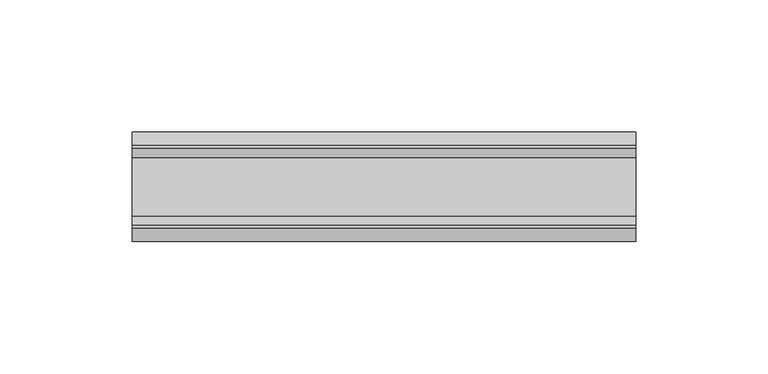
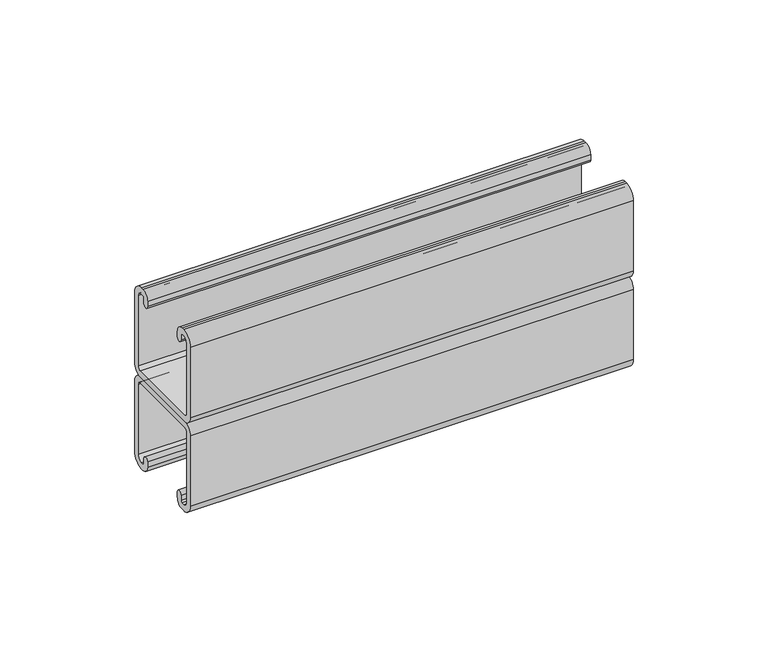
"""IFC4 building model written with IfcOpenShell, lengths in millimetres: proxy geometry."""

from ifc_helpers import new_model, si_unit, point, frame, frame_2d, origin, place, context, project, spatial, polyline, circle_curve, trimmed, segment, composite_curve, outline, extrude, source, transform, mapped, element, save


def specialty_equipment_829098e2(model_context):
    return source(origin(), model_context, "Body", "SweptSolid", [
        extrude(outline(composite_curve([segment(polyline([(-16.5186879, 2943.733), (16.5186879, 2943.733)]), True, "CONTINUOUS"), segment(trimmed(circle_curve(frame_2d((16.5186879, 2945.1848121)), 1.4518121), [point((16.5186879, 2943.733))], [point((17.9705, 2945.1848121))], True, "CARTESIAN"), True, "CONTINUOUS"), segment(polyline([(17.9705, 2945.1848121), (17.9705, 2977.066)]), True, "CONTINUOUS"), segment(trimmed(circle_curve(frame_2d((15.6705, 2977.066)), 2.3), [point((17.9705, 2977.066))], [point((15.6705, 2979.366))], True, "CARTESIAN"), True, "CONTINUOUS"), segment(polyline([(15.6705, 2979.366), (14.4936781, 2979.366)]), True, "CONTINUOUS"), segment(trimmed(circle_curve(frame_2d((14.4936781, 2978.6518219)), 0.7141781), [point((14.4936781, 2979.366))], [point((13.7795, 2978.6518219))], True, "CARTESIAN"), True, "CONTINUOUS"), segment(polyline([(13.7795, 2978.6518219), (13.7795, 2976.2621)]), True, "CONTINUOUS"), segment(trimmed(circle_curve(frame_2d((12.446, 2976.2621)), 1.3335), [point((13.7795, 2976.2621))], [point((11.1125, 2976.2621))], False, "CARTESIAN"), True, "CONTINUOUS"), segment(polyline([(11.1125, 2976.2621), (11.1125, 2978.6518219)]), True, "CONTINUOUS"), segment(trimmed(circle_curve(frame_2d((14.5266781, 2978.6518219)), 3.4141781), [point((11.1125, 2978.6518219))], [point((14.5266781, 2982.066))], False, "CARTESIAN"), True, "CONTINUOUS"), segment(polyline([(14.5266781, 2982.066), (15.6705, 2982.066)]), True, "CONTINUOUS"), segment(trimmed(circle_curve(frame_2d((15.6705, 2977.066)), 5.0), [point((15.6705, 2982.066))], [point((20.6705, 2977.066))], False, "CARTESIAN"), True, "CONTINUOUS"), segment(polyline([(20.6705, 2977.066), (20.6705, 2945.1848121)]), True, "CONTINUOUS"), segment(trimmed(circle_curve(frame_2d((16.5186879, 2945.1848121)), 4.1518121), [point((20.6705, 2945.1848121))], [point((16.5186879, 2941.033))], False, "CARTESIAN"), True, "CONTINUOUS"), segment(polyline([(16.5186879, 2941.033), (-16.5186879, 2941.033)]), True, "CONTINUOUS"), segment(trimmed(circle_curve(frame_2d((-16.5186879, 2945.1848121)), 4.1518121), [point((-16.5186879, 2941.033))], [point((-20.6705, 2945.1848121))], False, "CARTESIAN"), True, "CONTINUOUS"), segment(polyline([(-20.6705, 2945.1848121), (-20.6705, 2977.066)]), True, "CONTINUOUS"), segment(trimmed(circle_curve(frame_2d((-15.6705, 2977.066)), 5.0), [point((-20.6705, 2977.066))], [point((-15.6705, 2982.066))], False, "CARTESIAN"), True, "CONTINUOUS"), segment(polyline([(-15.6705, 2982.066), (-14.5266781, 2982.066)]), True, "CONTINUOUS"), segment(trimmed(circle_curve(frame_2d((-14.5266781, 2978.6518219)), 3.4141781), [point((-14.5266781, 2982.066))], [point((-11.1125, 2978.6518219))], False, "CARTESIAN"), True, "CONTINUOUS"), segment(polyline([(-11.1125, 2978.6518219), (-11.1125, 2976.2621)]), True, "CONTINUOUS"), segment(trimmed(circle_curve(frame_2d((-12.446, 2976.2621)), 1.3335), [point((-11.1125, 2976.2621))], [point((-13.7795, 2976.2621))], False, "CARTESIAN"), True, "CONTINUOUS"), segment(polyline([(-13.7795, 2976.2621), (-13.7795, 2978.6518219)]), True, "CONTINUOUS"), segment(trimmed(circle_curve(frame_2d((-14.4936781, 2978.6518219)), 0.7141781), [point((-13.7795, 2978.6518219))], [point((-14.4936781, 2979.366))], True, "CARTESIAN"), True, "CONTINUOUS"), segment(polyline([(-14.4936781, 2979.366), (-15.6705, 2979.366)]), True, "CONTINUOUS"), segment(trimmed(circle_curve(frame_2d((-15.6705, 2977.066)), 2.3), [point((-15.6705, 2979.366))], [point((-17.9705, 2977.066))], True, "CARTESIAN"), True, "CONTINUOUS"), segment(polyline([(-17.9705, 2977.066), (-17.9705, 2945.1848121)]), True, "CONTINUOUS"), segment(trimmed(circle_curve(frame_2d((-16.5186879, 2945.1848121)), 1.4518121), [point((-17.9705, 2945.1848121))], [point((-16.5186879, 2943.733))], True, "CARTESIAN"), True, "CONTINUOUS")], self_intersect=False)), frame((-95.0, 0.0, 0.0), z_axis=(1.0, 0.0, 0.0), x_axis=(0.0, 1.0, 0.0)), (0.0, 0.0, 1.0), 190.0),
        extrude(outline(composite_curve([segment(polyline([(16.5186879, 2938.333), (-16.5186879, 2938.333)]), True, "CONTINUOUS"), segment(trimmed(circle_curve(frame_2d((-16.5186879, 2936.8811879)), 1.4518121), [point((-16.5186879, 2938.333))], [point((-17.9705, 2936.8811879))], True, "CARTESIAN"), True, "CONTINUOUS"), segment(polyline([(-17.9705, 2936.8811879), (-17.9705, 2905.0)]), True, "CONTINUOUS"), segment(trimmed(circle_curve(frame_2d((-15.6705, 2905.0)), 2.3), [point((-17.9705, 2905.0))], [point((-15.6705, 2902.7))], True, "CARTESIAN"), True, "CONTINUOUS"), segment(polyline([(-15.6705, 2902.7), (-14.4936781, 2902.7)]), True, "CONTINUOUS"), segment(trimmed(circle_curve(frame_2d((-14.4936781, 2903.4141781)), 0.7141781), [point((-14.4936781, 2902.7))], [point((-13.7795, 2903.4141781))], True, "CARTESIAN"), True, "CONTINUOUS"), segment(polyline([(-13.7795, 2903.4141781), (-13.7795, 2905.8039)]), True, "CONTINUOUS"), segment(trimmed(circle_curve(frame_2d((-12.446, 2905.8039)), 1.3335), [point((-13.7795, 2905.8039))], [point((-11.1125, 2905.8039))], False, "CARTESIAN"), True, "CONTINUOUS"), segment(polyline([(-11.1125, 2905.8039), (-11.1125, 2903.4141781)]), True, "CONTINUOUS"), segment(trimmed(circle_curve(frame_2d((-14.5266781, 2903.4141781)), 3.4141781), [point((-11.1125, 2903.4141781))], [point((-14.5266781, 2900.0))], False, "CARTESIAN"), True, "CONTINUOUS"), segment(polyline([(-14.5266781, 2900.0), (-15.6705, 2900.0)]), True, "CONTINUOUS"), segment(trimmed(circle_curve(frame_2d((-15.6705, 2905.0)), 5.0), [point((-15.6705, 2900.0))], [point((-20.6705, 2905.0))], False, "CARTESIAN"), True, "CONTINUOUS"), segment(polyline([(-20.6705, 2905.0), (-20.6705, 2936.8811879)]), True, "CONTINUOUS"), segment(trimmed(circle_curve(frame_2d((-16.5186879, 2936.8811879)), 4.1518121), [point((-20.6705, 2936.8811879))], [point((-16.5186879, 2941.033))], False, "CARTESIAN"), True, "CONTINUOUS"), segment(polyline([(-16.5186879, 2941.033), (16.5186879, 2941.033)]), True, "CONTINUOUS"), segment(trimmed(circle_curve(frame_2d((16.5186879, 2936.8811879)), 4.1518121), [point((16.5186879, 2941.033))], [point((20.6705, 2936.8811879))], False, "CARTESIAN"), True, "CONTINUOUS"), segment(polyline([(20.6705, 2936.8811879), (20.6705, 2905.0)]), True, "CONTINUOUS"), segment(trimmed(circle_curve(frame_2d((15.6705, 2905.0)), 5.0), [point((20.6705, 2905.0))], [point((15.6705, 2900.0))], False, "CARTESIAN"), True, "CONTINUOUS"), segment(polyline([(15.6705, 2900.0), (14.5266781, 2900.0)]), True, "CONTINUOUS"), segment(trimmed(circle_curve(frame_2d((14.5266781, 2903.4141781)), 3.4141781), [point((14.5266781, 2900.0))], [point((11.1125, 2903.4141781))], False, "CARTESIAN"), True, "CONTINUOUS"), segment(polyline([(11.1125, 2903.4141781), (11.1125, 2905.8039)]), True, "CONTINUOUS"), segment(trimmed(circle_curve(frame_2d((12.446, 2905.8039)), 1.3335), [point((11.1125, 2905.8039))], [point((13.7795, 2905.8039))], False, "CARTESIAN"), True, "CONTINUOUS"), segment(polyline([(13.7795, 2905.8039), (13.7795, 2903.4141781)]), True, "CONTINUOUS"), segment(trimmed(circle_curve(frame_2d((14.4936781, 2903.4141781)), 0.7141781), [point((13.7795, 2903.4141781))], [point((14.4936781, 2902.7))], True, "CARTESIAN"), True, "CONTINUOUS"), segment(polyline([(14.4936781, 2902.7), (15.6705, 2902.7)]), True, "CONTINUOUS"), segment(trimmed(circle_curve(frame_2d((15.6705, 2905.0)), 2.3), [point((15.6705, 2902.7))], [point((17.9705, 2905.0))], True, "CARTESIAN"), True, "CONTINUOUS"), segment(polyline([(17.9705, 2905.0), (17.9705, 2936.8811879)]), True, "CONTINUOUS"), segment(trimmed(circle_curve(frame_2d((16.5186879, 2936.8811879)), 1.4518121), [point((17.9705, 2936.8811879))], [point((16.5186879, 2938.333))], True, "CARTESIAN"), True, "CONTINUOUS")], self_intersect=False)), frame((-95.0, 0.0, 0.0), z_axis=(1.0, 0.0, 0.0), x_axis=(0.0, 1.0, 0.0)), (0.0, 0.0, 1.0), 190.0),
    ])


if __name__ == "__main__":
    model = new_model("IFC4")
    model_context = context("Model", 3, world=origin())
    ifc_project = project(units=[si_unit("LENGTHUNIT", "METRE", prefix="MILLI")], contexts=[model_context])
    site = spatial("IfcSite", under=ifc_project)
    building = spatial("IfcBuilding", under=site)
    placement = place(None, origin())
    specialty_equipment_shape = specialty_equipment_829098e2(model_context)
    element("IfcBuildingElementProxy", 1, Name="Specialty Equipment", at=placement, inside=building, context=model_context, shape_type="MappedRepresentation", body=[
        mapped(specialty_equipment_shape, transform((0.0, 0.0, 0.0), x_axis=(1.0, 0.0, 0.0), y_axis=(0.0, 1.0, 0.0), z_axis=(0.0, 0.0, 1.0))),
    ])
    save(model, "model.ifc")
